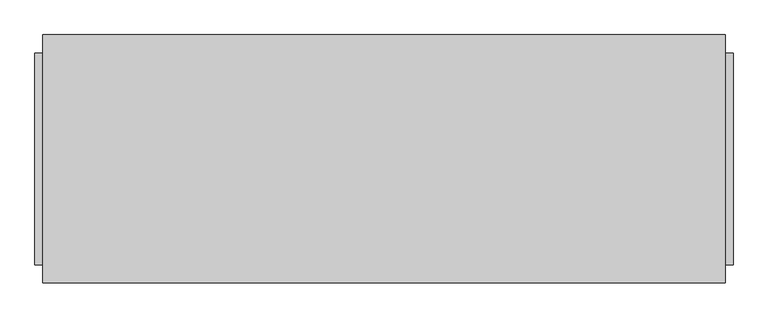
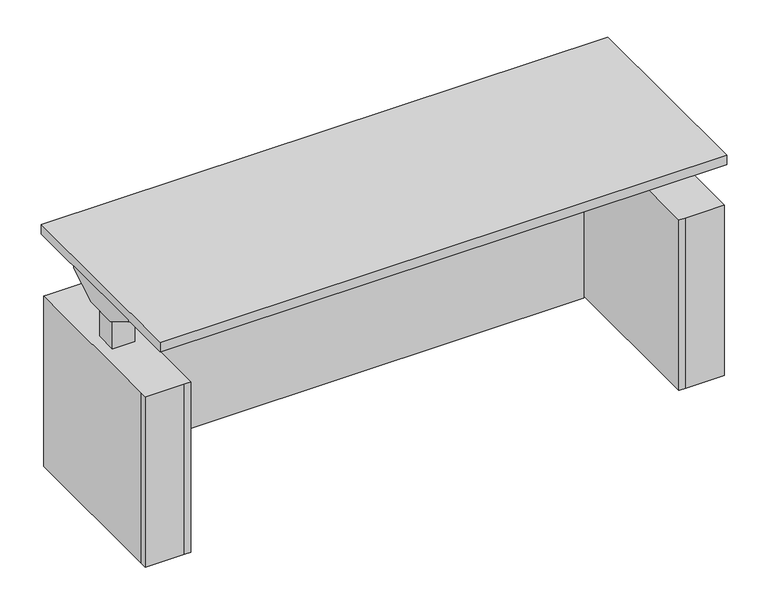
"""IFC4 building model written with IfcOpenShell, lengths in millimetres: furniture geometry."""

from ifc_helpers import new_model, si_unit, frame, origin, origin_with_axes, place, context, project, spatial, polyline, outline, extrude, source, transform, mapped, element, save


def furniture_dbb8d555(model_context):
    return source(origin(), model_context, "Body", "SweptSolid", [
        extrude(outline(polyline([(717.55, 219.075), (-717.55, 219.075), (-717.55, 238.125), (717.55, 238.125), (717.55, 219.075)])), frame((0.0, 0.0, 12.7), z_axis=(0.0, 0.0, 1.0), x_axis=(1.0, 0.0, 0.0)), (0.0, 0.0, 1.0), 533.4),
        extrude(outline(polyline([(-838.2, 260.35), (-722.6101562, 260.35), (-722.6101562, -260.35), (-741.6601562, -260.35), (-857.25, -260.35), (-857.25, -241.3), (-857.25, 260.35), (-838.2, 260.35)]), holes=[polyline([(-822.9699219, 33.02), (-822.9699219, -33.02), (-756.8902344, -33.02), (-756.8902344, 33.02), (-822.9699219, 33.02)])]), frame((0.0, 0.0, 12.7), z_axis=(0.0, 0.0, 1.0), x_axis=(1.0, 0.0, 0.0)), (0.0, 0.0, 1.0), 533.4),
        extrude(outline(polyline([(-838.2, 241.3), (-741.6601562, 241.3), (-741.6601562, -241.3), (-838.2, -241.3), (-838.2, 241.3)])), origin_with_axes(), (0.0, 0.0, 1.0), 20.6375),
        extrude(outline(polyline([(49.3599854, 648.1304493), (-49.3599854, 648.1304493), (-139.7, 700.0875), (-139.7, 706.4375), (139.7, 706.4375), (139.7, 700.0875), (49.3599854, 648.1304493)])), frame((-838.2, 0.0, 0.0), z_axis=(1.0, 0.0, 0.0), x_axis=(0.0, 1.0, 0.0)), (0.0, 0.0, 1.0), 25.4),
        extrude(outline(polyline([(-812.8, 29.21), (-760.7597656, 29.21), (-760.7597656, -29.21), (-812.8, -29.21), (-812.8, 29.21)])), frame((0.0, 0.0, 642.9375), z_axis=(0.0, 0.0, 1.0), x_axis=(1.0, 0.0, 0.0)), (0.0, 0.0, 1.0), 63.5),
        extrude(outline(polyline([(-822.9699219, 33.02), (-756.8902344, 33.02), (-756.8902344, -33.02), (-822.9699219, -33.02), (-822.9699219, 33.02)])), frame((0.0, 0.0, 20.6375), z_axis=(0.0, 0.0, 1.0), x_axis=(1.0, 0.0, 0.0)), (0.0, 0.0, 1.0), 622.3),
        extrude(outline(polyline([(838.2, 260.35), (857.25, 260.35), (857.25, -241.3), (857.25, -260.35), (741.6601563, -260.35), (722.6101563, -260.35), (722.6101563, 260.35), (838.2, 260.35)]), holes=[polyline([(822.9699219, 33.02), (756.8902344, 33.02), (756.8902344, -33.02), (822.9699219, -33.02), (822.9699219, 33.02)])]), frame((0.0, 0.0, 12.7), z_axis=(0.0, 0.0, 1.0), x_axis=(1.0, 0.0, 0.0)), (0.0, 0.0, 1.0), 533.4),
        extrude(outline(polyline([(838.2, 241.3), (838.2, -241.3), (741.6601563, -241.3), (741.6601563, 241.3), (838.2, 241.3)])), origin_with_axes(), (0.0, 0.0, 1.0), 20.6375),
        extrude(outline(polyline([(49.3599854, 648.1304493), (-49.3599854, 648.1304493), (-139.7, 700.0875), (-139.7, 706.4375), (139.7, 706.4375), (139.7, 700.0875), (49.3599854, 648.1304493)])), frame((812.8, 0.0, 0.0), z_axis=(1.0, 0.0, 0.0), x_axis=(0.0, 1.0, 0.0)), (0.0, 0.0, 1.0), 25.4),
        extrude(outline(polyline([(812.8, 29.21), (812.8, -29.21), (760.7597656, -29.21), (760.7597656, 29.21), (812.8, 29.21)])), frame((0.0, 0.0, 642.9375), z_axis=(0.0, 0.0, 1.0), x_axis=(1.0, 0.0, 0.0)), (0.0, 0.0, 1.0), 63.5),
        extrude(outline(polyline([(822.9699219, 33.02), (822.9699219, -33.02), (756.8902344, -33.02), (756.8902344, 33.02), (822.9699219, 33.02)])), frame((0.0, 0.0, 20.6375), z_axis=(0.0, 0.0, 1.0), x_axis=(1.0, 0.0, 0.0)), (0.0, 0.0, 1.0), 622.3),
        extrude(outline(polyline([(838.2, 304.8), (838.2, -304.8), (-838.2, -304.8), (-838.2, 304.8), (838.2, 304.8)])), frame((0.0, 0.0, 706.4375), z_axis=(0.0, 0.0, 1.0), x_axis=(1.0, 0.0, 0.0)), (0.0, 0.0, 1.0), 30.1625),
    ])


if __name__ == "__main__":
    model = new_model("IFC4")
    model_context = context("Model", 3, world=origin())
    ifc_project = project(units=[si_unit("LENGTHUNIT", "METRE", prefix="MILLI")], contexts=[model_context])
    site = spatial("IfcSite", under=ifc_project)
    building = spatial("IfcBuilding", under=site)
    placement = place(None, origin())
    furniture_shape = furniture_dbb8d555(model_context)
    element("IfcFurniture", 1, at=placement, inside=building, context=model_context, shape_type="MappedRepresentation", body=[
        mapped(furniture_shape, transform((0.0, 0.0, 0.0), x_axis=(1.0, 0.0, 0.0), y_axis=(0.0, 1.0, 0.0), z_axis=(0.0, 0.0, 1.0))),
    ])
    save(model, "model.ifc")
